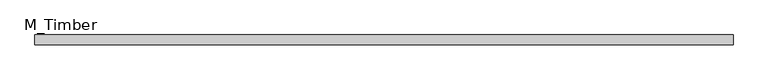
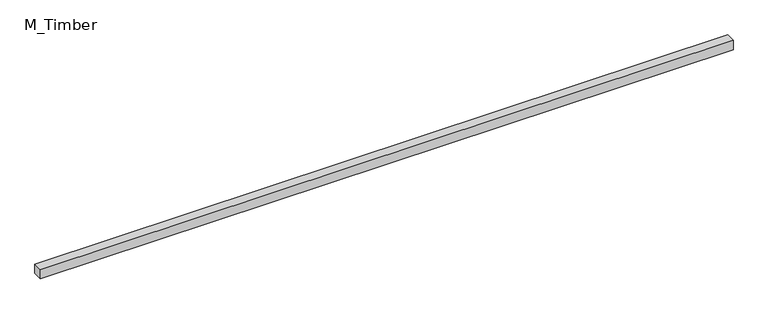
"""IFC4 building model written with IfcOpenShell, lengths in millimetres: beam geometry, M_Timber."""

from ifc_helpers import new_model, si_unit, frame, origin, place, context, project, spatial, polyline, outline, extrude, source, transform, mapped, element, save


def m_timber_03ec9b5e(model_context):
    return source(origin(), model_context, "Body", "SweptSolid", [
        extrude(outline(polyline([(1439.2402476, 20.0), (1439.2402476, -20.0), (-1439.2402476, -20.0), (-1439.2402476, 20.0), (1439.2402476, 20.0)])), frame((0.0, 0.0, -20.0), z_axis=(0.0, 0.0, 1.0), x_axis=(1.0, 0.0, 0.0)), (0.0, 0.0, 1.0), 40.0),
    ])


if __name__ == "__main__":
    model = new_model("IFC4")
    model_context = context("Model", 3, world=origin())
    ifc_project = project(units=[si_unit("LENGTHUNIT", "METRE", prefix="MILLI")], contexts=[model_context])
    site = spatial("IfcSite", under=ifc_project)
    building = spatial("IfcBuilding", under=site)
    placement = place(None, origin())
    m_timber_shape = m_timber_03ec9b5e(model_context)
    element("IfcBeam", 1, ObjectType="M_Timber", at=placement, inside=building, context=model_context, shape_type="MappedRepresentation", body=[
        mapped(m_timber_shape, transform((0.0, 0.0, 0.0), x_axis=(1.0, 0.0, 0.0), y_axis=(0.0, 1.0, 0.0), z_axis=(0.0, 0.0, 1.0))),
    ])
    save(model, "model.ifc")
